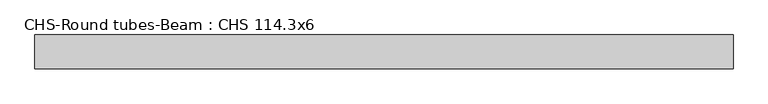
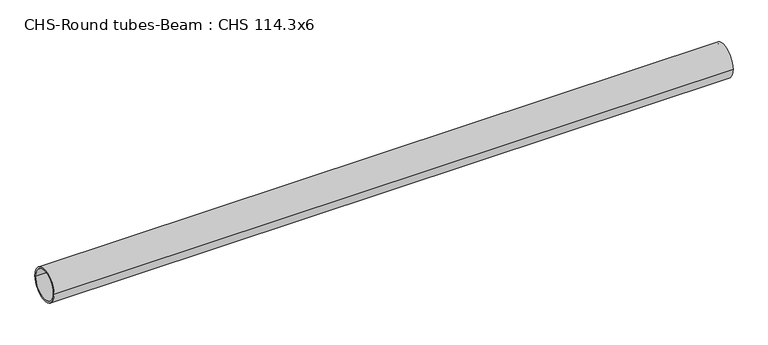
"""IFC4 building model written with IfcOpenShell, lengths in millimetres: beam geometry, CHS-Round tubes-Beam : CHS 114.3x6."""

from ifc_helpers import new_model, si_unit, point, frame, origin, origin_2d, place, context, project, spatial, circle_curve, trimmed, segment, composite_curve, outline, extrude, source, transform, mapped, element, save


def chs_round_tubes_beam_chs_114_3x6_44369a72(model_context):
    return source(origin(), model_context, "Body", "SweptSolid", [
        extrude(outline(composite_curve([segment(trimmed(circle_curve(origin_2d(), 57.15), [point((57.15, 0.0))], [point((-57.15, 0.0))], False, "CARTESIAN"), True, "CONTINUOUS"), segment(trimmed(circle_curve(origin_2d(), 57.15), [point((-57.15, 0.0))], [point((57.15, 0.0))], False, "CARTESIAN"), True, "CONTINUOUS")], self_intersect=False), holes=[composite_curve([segment(trimmed(circle_curve(origin_2d(), 51.15), [point((51.15, 0.0))], [point((-51.15, 0.0))], True, "CARTESIAN"), True, "CONTINUOUS"), segment(trimmed(circle_curve(origin_2d(), 51.15), [point((-51.15, 0.0))], [point((51.15, 0.0))], True, "CARTESIAN"), True, "CONTINUOUS")], self_intersect=False)]), frame((-1015.4383377, 0.0, 0.0), z_axis=(1.0, 0.0, 0.0), x_axis=(0.0, 1.0, 0.0)), (0.0, 0.0, 1.0), 2359.253352),
    ])


if __name__ == "__main__":
    model = new_model("IFC4")
    model_context = context("Model", 3, world=origin())
    ifc_project = project(units=[si_unit("LENGTHUNIT", "METRE", prefix="MILLI")], contexts=[model_context])
    site = spatial("IfcSite", under=ifc_project)
    building = spatial("IfcBuilding", under=site)
    placement = place(None, origin())
    chs_round_tubes_beam_chs_114_3x6_shape = chs_round_tubes_beam_chs_114_3x6_44369a72(model_context)
    element("IfcBeam", 1, ObjectType="CHS-Round tubes-Beam : CHS 114.3x6", at=placement, inside=building, context=model_context, shape_type="MappedRepresentation", body=[
        mapped(chs_round_tubes_beam_chs_114_3x6_shape, transform((0.0, 0.0, 0.0), x_axis=(1.0, 0.0, 0.0), y_axis=(0.0, 1.0, 0.0), z_axis=(0.0, 0.0, 1.0))),
    ])
    save(model, "model.ifc")
